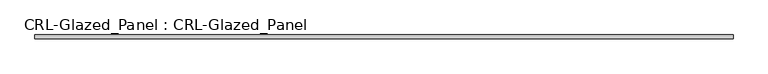
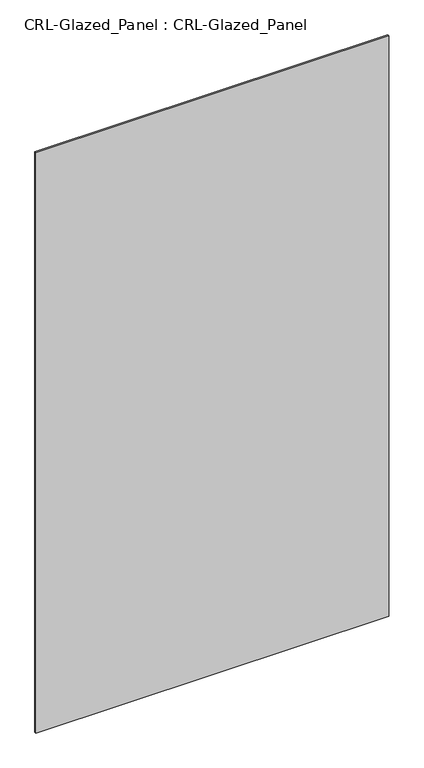
"""IFC4 building model written with IfcOpenShell, lengths in millimetres: plate geometry, CRL-Glazed_Panel : CRL-Glazed_Panel."""

from ifc_helpers import new_model, si_unit, origin, origin_with_axes, place, context, project, spatial, polyline, outline, extrude, source, transform, mapped, element, save


def crl_glazed_panel_crl_glazed_panel_4b286cc1(model_context):
    return source(origin(), model_context, "Body", "SweptSolid", [
        extrude(outline(polyline([(613.8333298, 3.1749999), (613.8333298, -3.1749999), (-613.8333298, -3.1749999), (-613.8333298, 3.1749999), (613.8333298, 3.1749999)])), origin_with_axes(), (0.0, 0.0, 1.0), 2133.9549652),
    ])


if __name__ == "__main__":
    model = new_model("IFC4")
    model_context = context("Model", 3, world=origin())
    ifc_project = project(units=[si_unit("LENGTHUNIT", "METRE", prefix="MILLI")], contexts=[model_context])
    site = spatial("IfcSite", under=ifc_project)
    building = spatial("IfcBuilding", under=site)
    placement = place(None, origin())
    crl_glazed_panel_crl_glazed_panel_shape = crl_glazed_panel_crl_glazed_panel_4b286cc1(model_context)
    element("IfcPlate", 1, ObjectType="CRL-Glazed_Panel : CRL-Glazed_Panel", at=placement, inside=building, context=model_context, shape_type="MappedRepresentation", body=[
        mapped(crl_glazed_panel_crl_glazed_panel_shape, transform((0.0, 0.0, 0.0), x_axis=(1.0, 0.0, 0.0), y_axis=(0.0, 1.0, 0.0), z_axis=(0.0, 0.0, 1.0))),
    ])
    save(model, "model.ifc")
